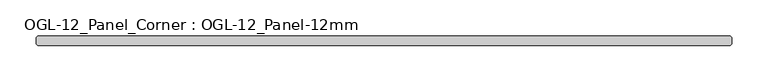
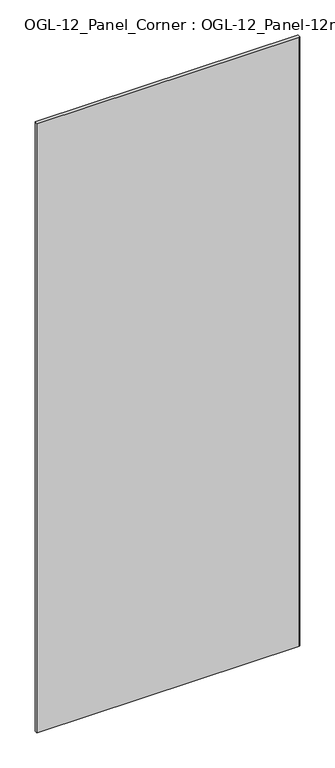
"""IFC4 building model written with IfcOpenShell, lengths in millimetres: plate geometry, OGL-12_Panel_Corner : OGL-12_Panel-12mm."""

from ifc_helpers import new_model, si_unit, origin, origin_with_axes, place, context, project, spatial, polyline, outline, extrude, source, transform, mapped, element, save


def ogl_12_panel_corner_ogl_12_panel_12mm_4509b5ad(model_context):
    return source(origin(), model_context, "Body", "SweptSolid", [
        extrude(outline(polyline([(476.1862197, 6.35), (477.7737197, 4.7625), (477.7737197, -4.7625), (476.1862197, -6.35), (-476.1862197, -6.35), (-477.7737197, -4.7625), (-477.7737197, 4.7625), (-476.1862197, 6.35), (476.1862197, 6.35)])), origin_with_axes(), (0.0, 0.0, 1.0), 2339.9738578),
    ])


if __name__ == "__main__":
    model = new_model("IFC4")
    model_context = context("Model", 3, world=origin())
    ifc_project = project(units=[si_unit("LENGTHUNIT", "METRE", prefix="MILLI")], contexts=[model_context])
    site = spatial("IfcSite", under=ifc_project)
    building = spatial("IfcBuilding", under=site)
    placement = place(None, origin())
    ogl_12_panel_corner_ogl_12_panel_12mm_shape = ogl_12_panel_corner_ogl_12_panel_12mm_4509b5ad(model_context)
    element("IfcPlate", 1, ObjectType="OGL-12_Panel_Corner : OGL-12_Panel-12mm", at=placement, inside=building, context=model_context, shape_type="MappedRepresentation", body=[
        mapped(ogl_12_panel_corner_ogl_12_panel_12mm_shape, transform((0.0, 0.0, 0.0), x_axis=(1.0, 0.0, 0.0), y_axis=(0.0, 1.0, 0.0), z_axis=(0.0, 0.0, 1.0))),
    ])
    save(model, "model.ifc")
